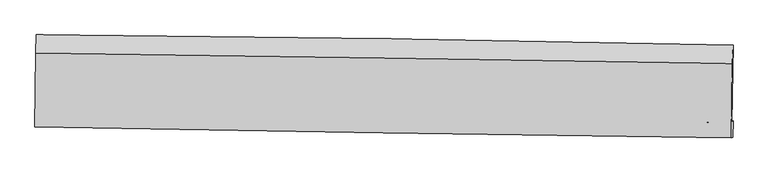
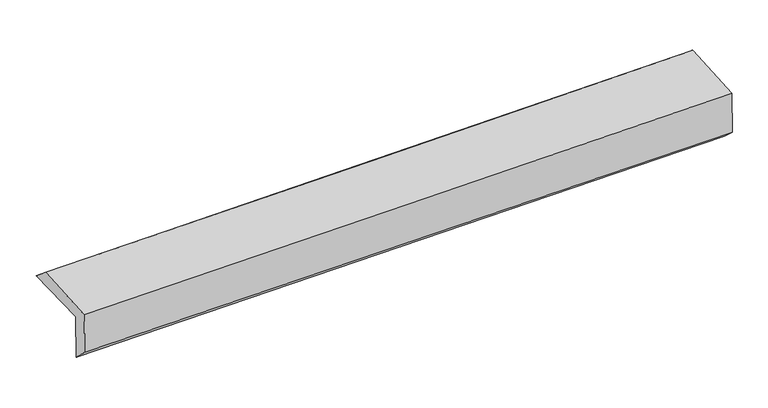
"""IFC4 building model written with IfcOpenShell, lengths in millimetres: proxy geometry."""

from ifc_helpers import new_model, si_unit, frame, origin, place, context, project, spatial, source, transform, mapped, element, save
from ifc_brep_helpers import plane_surface, spline_curve, spline_surface, advanced_brep


def generic_models_b0bb2a7b(model_context):
    return source(origin(), model_context, "Body", "AdvancedBrep", [
        advanced_brep(
        [(-3027.3427703, -1753.6509193, 1965.3293195), (-3018.3431338, -1092.8795715, 1971.5678188), (3014.1910467, -1182.9226489, 2119.2123672), (3005.1714272, -1853.6380774, 2107.8071897), (-3017.8506278, -1742.4659002, 1555.0657257), (3014.6720267, -1842.4025951, 1697.2026921), (-3023.0557641, -1889.0551496, 1694.6604129), (3009.7174134, -1984.0944036, 1828.7669754), (-3031.7299024, -1894.3000983, 2072.5935853), (3000.6936219, -1989.5507755, 2221.934577), (-3023.5232461, -1251.3759105, 2102.8250715), (3008.9633017, -1341.6892123, 2252.3982276)],
        [
            (0, 1),
            (1, 2, spline_curve(3, [(-3018.3431338, -1092.8795715, 1971.5678188), (-2012.728932191, -1101.193690838, 1991.875679538), (-1007.211341602, -1112.854325438, 2014.33330258), (1003.633385556, -1142.868665883, 2063.548140174), (2008.960522013, -1161.222390554, 2090.305366626), (3014.1910467, -1182.9226489, 2119.2123672)], [4, 2, 4], [0.0, 9.899980362745447, 19.79998798437126])),
            (2, 3),
            (3, 0, spline_curve(3, [(3005.1714272, -1853.6380774, 2107.8071897), (1999.813476545, -1837.055253774, 2081.388272241), (994.424292264, -1820.431567109, 2056.305643371), (-1016.413773519, -1787.102513975, 2008.813027212), (-2021.862655345, -1770.397147923, 1986.403032819), (-3027.3427703, -1753.6509193, 1965.3293195)], [4, 2, 4], [0.0, 9.900007621625813, 19.79998798437126])),
            (4, 0),
            (3, 5),
            (5, 4, spline_curve(3, [(3014.6720267, -1842.4025951, 1697.2026921), (2009.236646683, -1825.931258814, 1674.118069609), (1003.808043201, -1809.367521265, 1650.730994404), (-1007.032841652, -1776.055288996, 1603.352004223), (-2012.445123257, -1759.306795013, 1579.360090405), (-3017.8506278, -1742.4659002, 1555.0657257)], [4, 2, 4], [0.0, 9.899989738074137, 19.79995221731715])),
            (6, 4),
            (5, 7),
            (7, 6, spline_curve(3, [(3009.7174134, -1984.0944036, 1828.7669754), (2004.240731769, -1970.019738092, 1806.040187068), (998.770600533, -1955.062455507, 1783.501230865), (-1012.153791669, -1923.382699307, 1738.799044078), (-2017.608053164, -1906.660230482, 1716.635813049), (-3023.0557641, -1889.0551496, 1694.6604129)], [4, 2, 4], [0.0, 9.899976216673881, 19.79992517455387])),
            (8, 6),
            (7, 9),
            (9, 8, spline_curve(3, [(3000.6936219, -1989.5507755, 2221.934577), (1995.312613344, -1975.418259987, 2195.039302972), (989.919456346, -1960.414433674, 2169.146567453), (-1020.888384843, -1928.664202837, 2119.36624268), (-2026.303069504, -1911.917803545, 2095.478647506), (-3031.7299024, -1894.3000983, 2072.5935853)], [4, 2, 4], [0.0, 9.899975631418414, 19.799924004044545])),
            (10, 8),
            (9, 11),
            (11, 10, spline_curve(3, [(3008.9633017, -1341.6892123, 2252.3982276), (2003.59327168, -1326.696611577, 2225.543396299), (998.200352278, -1311.674192313, 2199.651535182), (-1012.628497146, -1281.569757932, 2149.793822058), (-2018.064426822, -1266.487743332, 2125.827964236), (-3023.5232461, -1251.3759105, 2102.8250715)], [4, 2, 4], [0.0, 9.899986577901858, 19.799945896981292])),
            (1, 10),
            (11, 2),
        ],
        [
            spline_surface(3, 3, [[(-3027.3427703, -1753.6509193, 1965.3293195), (-2021.86265545, -1770.39714801, 1986.403032914), (-1016.413773627, -1787.102514073, 2008.813027271), (994.424292372, -1820.431567011, 2056.305643313), (1999.813476395, -1837.055253622, 2081.388272354), (3005.1714272, -1853.6380774, 2107.8071897)], [(-3024.342891483, -1533.393803355, 1967.408819273), (-2018.818081049, -1547.329328944, 1988.227248489), (-1013.34629632, -1562.353117809, 2010.653119016), (997.493990133, -1594.577266675, 2058.719808923), (2002.862491586, -1611.777632629, 2084.360637152), (3008.177967021, -1630.066267892, 2111.608915546)], [(-3021.343012617, -1313.136687445, 1969.488319027), (-2015.773506599, -1324.261509912, 1990.051464047), (-1010.278819011, -1337.603721564, 2012.493210814), (1000.563687897, -1368.722966358, 2061.133974585), (2005.911506814, -1386.50001166, 2087.333001912), (3011.184506879, -1406.494458408, 2115.410641354)], [(-3018.3431338, -1092.8795715, 1971.5678188), (-2012.728932197, -1101.193690846, 1991.875679622), (-1007.211341704, -1112.8543253, 2014.333302559), (1003.633385658, -1142.868666021, 2063.548140195), (2008.960522005, -1161.222390668, 2090.305366709), (3014.1910467, -1182.9226489, 2119.2123672)]], [4, 4], [4, 2, 4], [0.0, 2.217842381796933], [0.0, 9.899980362745447, 19.79998798437126]),
            spline_surface(3, 3, [[(-3017.8506278, -1742.4659002, 1555.0657257), (-2012.445123096, -1759.306795046, 1579.360090425), (-1007.032841612, -1776.055289056, 1603.352004078), (1003.808043161, -1809.367521205, 1650.730994549), (2009.236646557, -1825.931258815, 1674.118069685), (3014.6720267, -1842.4025951, 1697.2026921)], [(-3021.014675304, -1746.194239904, 1691.820256956), (-2015.584300551, -1763.003579371, 1715.041071245), (-1010.159818941, -1779.737697423, 1738.505678464), (1000.680126241, -1813.055536502, 1785.922544125), (2006.095589848, -1829.639257094, 1809.874803894), (3011.505160212, -1846.147755877, 1834.070857952)], [(-3024.178722796, -1749.922579596, 1828.574788244), (-2018.723477995, -1766.700363684, 1850.722052095), (-1013.286796298, -1783.420105707, 1873.659352885), (997.552209292, -1816.743551715, 1921.114093737), (2002.954533104, -1833.347255342, 1945.631538146), (3008.338293688, -1849.892916623, 1970.939023848)], [(-3027.3427703, -1753.6509193, 1965.3293195), (-2021.86265545, -1770.39714801, 1986.403032914), (-1016.413773627, -1787.102514073, 2008.813027271), (994.424292372, -1820.431567011, 2056.305643313), (1999.813476395, -1837.055253622, 2081.388272354), (3005.1714272, -1853.6380774, 2107.8071897)]], [4, 4], [4, 2, 4], [0.0, 1.331289358238874], [0.0, 9.899962479243012, 19.79995221731715]),
            spline_surface(3, 3, [[(-3023.0557641, -1889.0551496, 1694.6604129), (-2017.608053228, -1906.660230646, 1716.635812986), (-1012.153791802, -1923.382699304, 1738.799044237), (998.770600666, -1955.06245551, 1783.501230705), (2004.240731732, -1970.019738162, 1806.04018695), (3009.7174134, -1984.0944036, 1828.7669754)], [(-3021.320718652, -1840.192066462, 1648.128850508), (-2015.887076502, -1857.542418775, 1670.877238807), (-1010.446808402, -1874.273562541, 1693.650030858), (1000.449748167, -1906.497477394, 1739.244485326), (2005.906036662, -1921.990245036, 1762.066147873), (3011.368951155, -1936.863800757, 1784.912214311)], [(-3019.585673248, -1791.328983338, 1601.597288092), (-2014.166099822, -1808.424606917, 1625.118664604), (-1008.739825012, -1825.16442582, 1648.501017458), (1002.128895659, -1857.932499321, 1694.987739927), (2007.571341626, -1873.96075194, 1718.092108762), (3013.020488945, -1889.633197943, 1741.057453189)], [(-3017.8506278, -1742.4659002, 1555.0657257), (-2012.445123096, -1759.306795046, 1579.360090425), (-1007.032841612, -1776.055289056, 1603.352004078), (1003.808043161, -1809.367521205, 1650.730994549), (2009.236646557, -1825.931258815, 1674.118069685), (3014.6720267, -1842.4025951, 1697.2026921)]], [4, 4], [4, 2, 4], [0.0, 0.6518596009419921], [0.0, 9.899948957879989, 19.79992517455387]),
            spline_surface(3, 3, [[(-3031.7299024, -1894.3000983, 2072.5935853), (-2026.303069648, -1911.917803617, 2095.47864739), (-1020.888385, -1928.664203002, 2119.366242555), (989.919456503, -1960.414433509, 2169.146567578), (1995.312613283, -1975.418259906, 2195.039303025), (3000.6936219, -1989.5507755, 2221.934577)], [(-3028.838522972, -1892.55178205, 1946.615861153), (-2023.404730846, -1910.165279277, 1969.197702575), (-1017.976853944, -1926.903701766, 1992.510509775), (992.86983788, -1958.630440839, 2040.598121947), (1998.288652763, -1973.618752677, 2065.37293101), (3003.701552397, -1987.731984886, 2090.87870981)], [(-3025.947143528, -1890.80346585, 1820.638137047), (-2020.50639203, -1908.412754987, 1842.916757801), (-1015.065322857, -1925.14320054, 1865.654777017), (995.820219288, -1956.846448179, 1912.049676336), (2001.264692252, -1971.819245391, 1935.706558964), (3006.709482903, -1985.913194214, 1959.82284259)], [(-3023.0557641, -1889.0551496, 1694.6604129), (-2017.608053228, -1906.660230646, 1716.635812986), (-1012.153791802, -1923.382699304, 1738.799044237), (998.770600666, -1955.06245551, 1783.501230705), (2004.240731732, -1970.019738162, 1806.04018695), (3009.7174134, -1984.0944036, 1828.7669754)]], [4, 4], [4, 2, 4], [0.0, 1.257362360459166], [0.0, 9.899948372626131, 19.799924004044545]),
            spline_surface(3, 3, [[(-3023.5232461, -1251.3759105, 2102.8250715), (-2018.064426944, -1266.487743461, 2125.82796435), (-1012.628497134, -1281.569758067, 2149.793821911), (998.200352266, -1311.674192178, 2199.651535329), (2003.593271709, -1326.696611478, 2225.543396425), (3008.9633017, -1341.6892123, 2252.3982276)], [(-3026.258798202, -1465.683973126, 2092.747909458), (-2020.81064118, -1481.631096872, 2115.711525387), (-1015.381793094, -1497.267906382, 2139.651295464), (995.440053674, -1527.920939292, 2189.483212751), (2000.833052227, -1542.937160942, 2215.375365272), (3006.20674176, -1557.643066688, 2242.243677381)], [(-3028.994350298, -1679.992035674, 2082.670747342), (-2023.556855411, -1696.774450205, 2105.595086352), (-1018.13508904, -1712.966054687, 2129.508769001), (992.679755095, -1744.167686396, 2179.314890156), (1998.072832765, -1759.177710442, 2205.207334178), (3003.45018184, -1773.596921112, 2232.089127219)], [(-3031.7299024, -1894.3000983, 2072.5935853), (-2026.303069648, -1911.917803617, 2095.47864739), (-1020.888385, -1928.664203002, 2119.366242555), (989.919456503, -1960.414433509, 2169.146567578), (1995.312613283, -1975.418259906, 2195.039303025), (3000.6936219, -1989.5507755, 2221.934577)]], [4, 4], [4, 2, 4], [0.0, 2.1282347895255675], [0.0, 9.899959319079434, 19.799945896981292]),
            spline_surface(3, 3, [[(-3018.3431338, -1092.8795715, 1971.5678188), (-2012.728932197, -1101.193690846, 1991.875679622), (-1007.211341704, -1112.8543253, 2014.333302559), (1003.633385658, -1142.868666021, 2063.548140195), (2008.960522005, -1161.222390668, 2090.305366709), (3014.1910467, -1182.9226489, 2119.2123672)], [(-3020.069837888, -1145.711684502, 2015.320236353), (-2014.507430434, -1156.291708387, 2036.526441184), (-1009.017060177, -1169.092802882, 2059.486809034), (1001.822374531, -1199.137174733, 2108.915938597), (2007.171438595, -1216.380464271, 2135.384709948), (3012.448465055, -1235.8448367, 2163.607654)], [(-3021.796542012, -1198.543797498, 2059.072653947), (-2016.285928707, -1211.389725921, 2081.177202788), (-1010.822778661, -1225.331280485, 2104.640315436), (1000.011363393, -1255.405683466, 2154.283736927), (2005.382355119, -1271.538537875, 2180.464053187), (3010.705883345, -1288.7670245, 2208.0029408)], [(-3023.5232461, -1251.3759105, 2102.8250715), (-2018.064426944, -1266.487743461, 2125.82796435), (-1012.628497134, -1281.569758067, 2149.793821911), (998.200352266, -1311.674192178, 2199.651535329), (2003.593271709, -1326.696611478, 2225.543396425), (3008.9633017, -1341.6892123, 2252.3982276)]], [4, 4], [4, 2, 4], [0.0, 0.7108624751023283], [0.0, 9.899974098458154, 19.799975455779425]),
            plane_surface(frame((3008.9014729, -1699.0496188, 2037.8870048), z_axis=(0.9996454903757359, -0.013829868540839828, 0.022751446274860268), x_axis=(0.022943262569828878, 0.013872990305952461, -0.9996405088043516))),
            plane_surface(frame((-3023.6409074, -1603.9545915, 1893.6736556), z_axis=(-0.999645490375744, 0.013829868540242736, -0.02275144627486605), x_axis=(-0.013618025224605774, -0.9998627090229031, -0.009439941438566822))),
        ],
        [
            (0, [[1, 2, 3, 4]]),
            (1, [[5, -4, 6, 7]]),
            (2, [[8, -7, 9, 10]]),
            (3, [[11, -10, 12, 13]]),
            (4, [[14, -13, 15, 16]]),
            (5, [[17, -16, 18, -2]]),
            (6, [[-12, -9, -6, -3, -18, -15]]),
            (7, [[-1, -5, -8, -11, -14, -17]]),
        ],
    ),
    ])


if __name__ == "__main__":
    model = new_model("IFC4")
    model_context = context("Model", 3, world=origin())
    ifc_project = project(units=[si_unit("LENGTHUNIT", "METRE", prefix="MILLI")], contexts=[model_context])
    site = spatial("IfcSite", under=ifc_project)
    building = spatial("IfcBuilding", under=site)
    placement = place(None, origin())
    generic_models_shape = generic_models_b0bb2a7b(model_context)
    element("IfcBuildingElementProxy", 1, Name="Generic Models", at=placement, inside=building, context=model_context, shape_type="MappedRepresentation", body=[
        mapped(generic_models_shape, transform((0.0, 0.0, 0.0), x_axis=(1.0, 0.0, 0.0), y_axis=(0.0, 1.0, 0.0), z_axis=(0.0, 0.0, 1.0))),
    ])
    save(model, "model.ifc")
